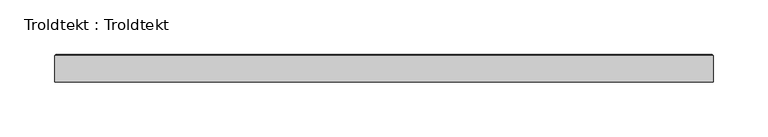
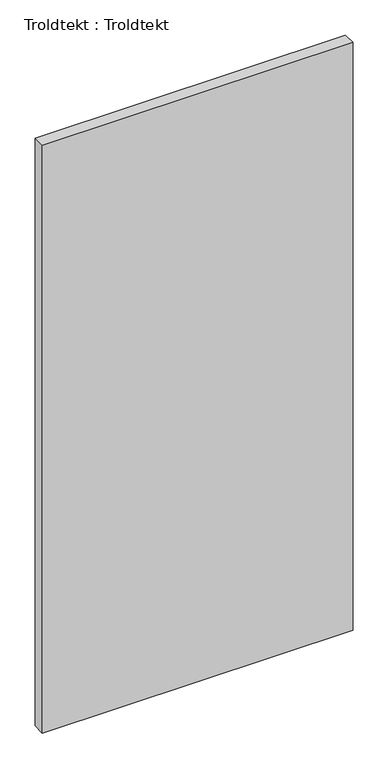
"""IFC4 building model written with IfcOpenShell, lengths in millimetres: proxy geometry, Troldtekt : Troldtekt."""

from ifc_helpers import new_model, si_unit, origin, place, context, project, spatial, faceted_brep, source, transform, mapped, element, save


def troldtekt_troldtekt_6d8b6907(model_context):
    return source(origin(), model_context, "Body", "Brep", [
        faceted_brep([(-300.0, -12.5, 1200.0), (300.0, -12.5, 1200.0), (300.0, 11.495044, 1200.0), (-300.0, 11.495044, 1200.0), (300.0, -12.5, 0.0), (-300.0, -12.5, 0.0), (-300.0, 11.495044, 0.0), (300.0, 11.495044, 0.0), (-298.995044, 12.5, 1.004956), (-298.995044, 12.5, 1198.995044), (298.995044, 12.5, 1198.995044), (298.995044, 12.5, 1.004956)], [[[0, 1, 2, 3]], [[4, 5, 6, 7]], [[8, 9, 10, 11]], [[5, 0, 3, 6]], [[1, 0, 5, 4]], [[1, 4, 7, 2]], [[8, 6, 3, 9]], [[6, 8, 11, 7]], [[7, 11, 10, 2]], [[2, 10, 9, 3]]]),
    ])


if __name__ == "__main__":
    model = new_model("IFC4")
    model_context = context("Model", 3, world=origin())
    ifc_project = project(units=[si_unit("LENGTHUNIT", "METRE", prefix="MILLI")], contexts=[model_context])
    site = spatial("IfcSite", under=ifc_project)
    building = spatial("IfcBuilding", under=site)
    placement = place(None, origin())
    troldtekt_troldtekt_shape = troldtekt_troldtekt_6d8b6907(model_context)
    element("IfcBuildingElementProxy", 1, Name="Troldtekt : Troldtekt", ObjectType="Troldtekt : Troldtekt", at=placement, inside=building, context=model_context, shape_type="MappedRepresentation", body=[
        mapped(troldtekt_troldtekt_shape, transform((0.0, 0.0, 0.0), x_axis=(1.0, 0.0, 0.0), y_axis=(0.0, 1.0, 0.0), z_axis=(0.0, 0.0, 1.0))),
    ])
    save(model, "model.ifc")
